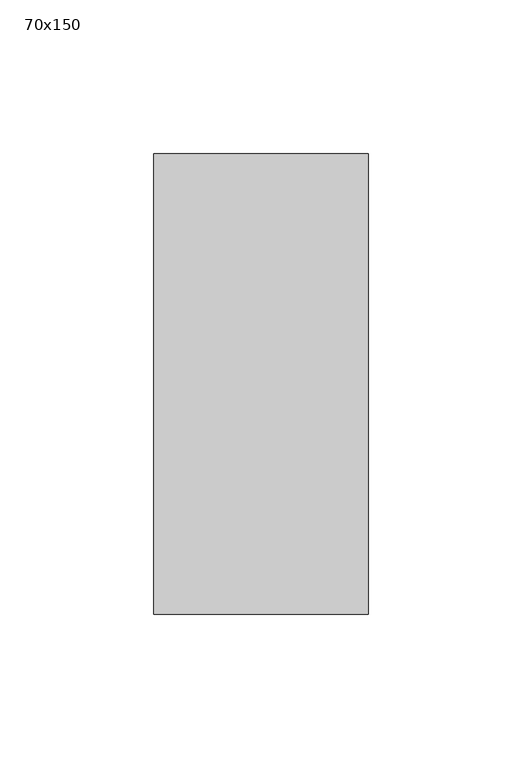
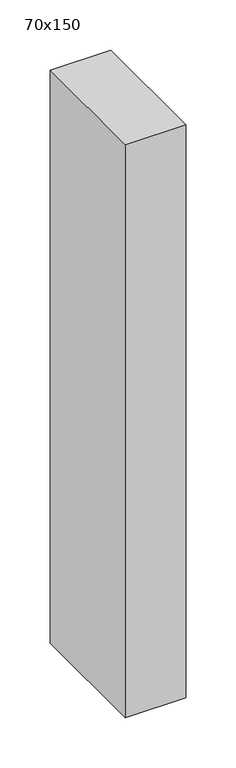
"""IFC4 building model written with IfcOpenShell, lengths in millimetres: member geometry, 70x150."""

from ifc_helpers import new_model, si_unit, frame, origin, place, context, project, spatial, polyline, outline, extrude, source, transform, mapped, element, save


def member_70x150_ebb47e88(model_context):
    return source(origin(), model_context, "Body", "SweptSolid", [
        extrude(outline(polyline([(35.0, 75.0), (35.0, -75.0), (-35.0, -75.0), (-35.0, 75.0), (35.0, 75.0)])), frame((0.0, 0.0, -700.0), z_axis=(0.0, 0.0, 1.0), x_axis=(1.0, 0.0, 0.0)), (0.0, 0.0, 1.0), 700.0),
    ])


if __name__ == "__main__":
    model = new_model("IFC4")
    model_context = context("Model", 3, world=origin())
    ifc_project = project(units=[si_unit("LENGTHUNIT", "METRE", prefix="MILLI")], contexts=[model_context])
    site = spatial("IfcSite", under=ifc_project)
    building = spatial("IfcBuilding", under=site)
    placement = place(None, origin())
    member_70x150_shape = member_70x150_ebb47e88(model_context)
    element("IfcMember", 1, ObjectType="70x150", at=placement, inside=building, context=model_context, shape_type="MappedRepresentation", body=[
        mapped(member_70x150_shape, transform((0.0, 0.0, 0.0), x_axis=(1.0, 0.0, 0.0), y_axis=(0.0, 1.0, 0.0), z_axis=(0.0, 0.0, 1.0))),
    ])
    save(model, "model.ifc")
